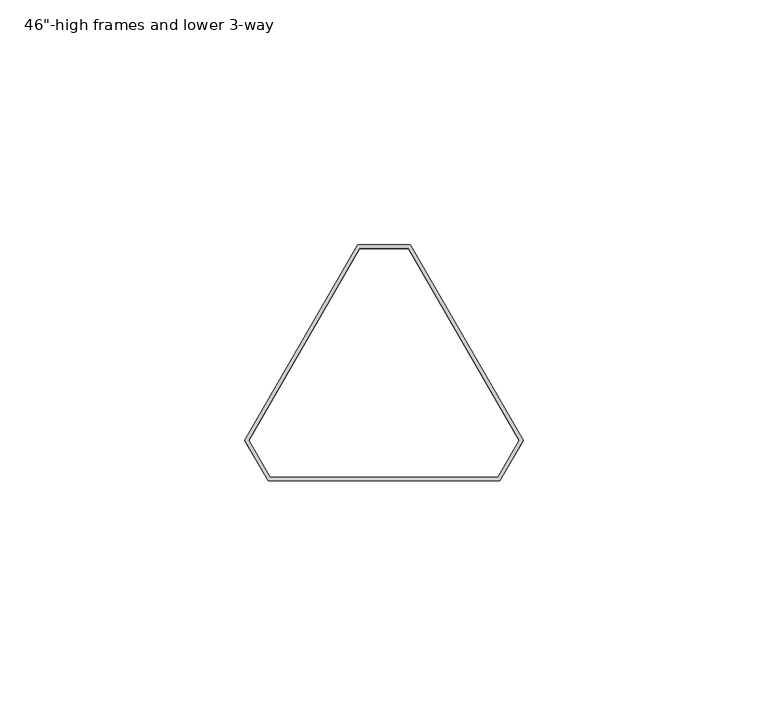
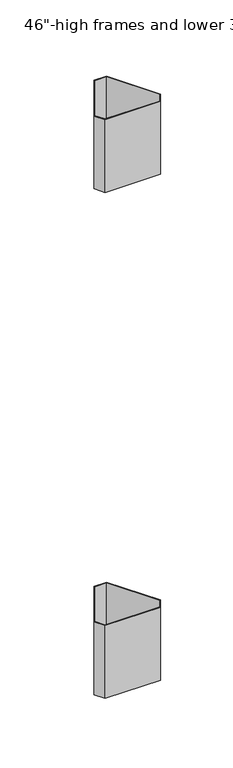
"""IFC4 building model written with IfcOpenShell, lengths in millimetres: furniture geometry."""

import ifcopenshell
import ifcopenshell.guid

model = None  # the IFC model being written
_history = None  # IfcOwnerHistory: only IFC2X3 demands one
_inside = {}  # id of a spatial element -> (the spatial element, [elements in it])
_under = {}  # id of a project, library or spatial element -> (it, [spatial elements below it])
_declared = {}  # id of a project -> (the project, [libraries it declares])
_typed = {}  # id of a type object -> (the type object, [elements of that type])
_made_of = {}  # id of a material, layer set ... -> (it, [elements and type objects made of it])


def new_model(schema):
    """Start an empty IFC model of exactly this schema.

    Asked for "IFC4X3", IfcOpenShell would pick the latest addendum, in which some entities
    have other attributes; the version numbers below select the first issue.
    IFC2X3 requires an IfcOwnerHistory on every rooted entity: one is made here for all.
    """
    global model, _history
    if schema == "IFC4X3":
        model = ifcopenshell.file(schema_version=(4, 3, 0, 0))
    else:
        model = ifcopenshell.file(schema=schema)
    _inside.clear()
    _under.clear()
    _declared.clear()
    _typed.clear()
    _made_of.clear()
    _history = None
    if model.schema == "IFC2X3":
        org = make("IfcOrganization", Name="unknown")
        user = make(
            "IfcPersonAndOrganization",
            ThePerson=make("IfcPerson", FamilyName="unknown"),
            TheOrganization=org,
        )
        app = make(
            "IfcApplication",
            ApplicationDeveloper=org,
            Version="unknown",
            ApplicationFullName="unknown",
            ApplicationIdentifier="unknown",
        )
        _history = make(
            "IfcOwnerHistory",
            OwningUser=user,
            OwningApplication=app,
            ChangeAction="ADDED",
            CreationDate=0,
        )
    return model


def make(cls, **values):
    """One entity of the class cls with the attributes given. An attribute that is None is left unset."""
    return model.create_entity(
        cls, **{name: value for name, value in values.items() if value is not None}
    )


def rooted(cls, **values):
    """An entity with a GlobalId (a new one), such as an element, a storey or a relation."""
    return make(cls, GlobalId=ifcopenshell.guid.new(), OwnerHistory=_history, **values)


def si_unit(unit_type, name, prefix=None):
    """IfcSIUnit, for example si_unit("LENGTHUNIT", "METRE", prefix="MILLI")."""
    return make("IfcSIUnit", UnitType=unit_type, Prefix=prefix, Name=name)


def assignment(units):
    """IfcUnitAssignment: the units of a project."""
    return None if units is None else make("IfcUnitAssignment", Units=units)


def point(xyz):
    """IfcCartesianPoint."""
    return None if xyz is None else make("IfcCartesianPoint", Coordinates=xyz)


def direction(xyz):
    """IfcDirection."""
    return None if xyz is None else make("IfcDirection", DirectionRatios=xyz)


def frame(location, z_axis=None, x_axis=None):
    """IfcAxis2Placement3D, a coordinate frame: its origin and axes. An axis left out is left unset."""
    return make(
        "IfcAxis2Placement3D",
        Location=point(location),
        Axis=direction(z_axis),
        RefDirection=direction(x_axis),
    )


def origin():
    """The frame at (0, 0, 0) with its axes left unset."""
    return frame((0.0, 0.0, 0.0))


def place(relative_to, where):
    """IfcLocalPlacement: puts the frame where relative to a parent placement (None: the world)."""
    return make(
        "IfcLocalPlacement", PlacementRelTo=relative_to, RelativePlacement=where
    )


def context(
    kind, dimensions, precision=None, world=None, true_north=None, identifier=None
):
    """IfcGeometricRepresentationContext, for example the 3D "Model" context."""
    return make(
        "IfcGeometricRepresentationContext",
        ContextIdentifier=identifier,
        ContextType=kind,
        CoordinateSpaceDimension=dimensions,
        Precision=precision,
        WorldCoordinateSystem=world,
        TrueNorth=true_north,
    )


def project(units=None, contexts=None):
    """IfcProject with its units and contexts."""
    return rooted(
        "IfcProject",
        Name="project",
        RepresentationContexts=contexts,
        UnitsInContext=assignment(units),
    )


def spatial(cls, under=None, at=None, **own):
    """A site, building, storey or space (cls), placed at a placement, below another one or the project."""
    s = rooted(cls, ObjectPlacement=at, **own)
    if under is not None:
        _under.setdefault(under.id(), (under, []))[1].append(s)
    return s


def polyline(points):
    """IfcPolyline through the points."""
    return make("IfcPolyline", Points=[point(p) for p in points])


def outline(outer, holes=None, kind="AREA"):
    """IfcArbitraryClosedProfileDef: a profile drawn as a closed curve; with holes, ...WithVoids."""
    if holes is None:
        return make("IfcArbitraryClosedProfileDef", ProfileType=kind, OuterCurve=outer)
    return make(
        "IfcArbitraryProfileDefWithVoids",
        ProfileType=kind,
        OuterCurve=outer,
        InnerCurves=holes,
    )


def extrude(swept, where, along, depth):
    """IfcExtrudedAreaSolid: the profile swept, set in the frame where, extruded along a direction by depth."""
    return make(
        "IfcExtrudedAreaSolid",
        SweptArea=swept,
        Position=where,
        ExtrudedDirection=direction(along),
        Depth=depth,
    )


def shape(context_of_items, identifier, shape_type, items):
    """IfcShapeRepresentation: the items that make up one representation, for example the "Body"."""
    return make(
        "IfcShapeRepresentation",
        ContextOfItems=context_of_items,
        RepresentationIdentifier=identifier,
        RepresentationType=shape_type,
        Items=items,
    )


def source(mapping_origin, context_of_items, identifier, shape_type, items):
    """IfcRepresentationMap: a shape defined once, which mapped items show again and again."""
    return make(
        "IfcRepresentationMap",
        MappingOrigin=mapping_origin,
        MappedRepresentation=shape(context_of_items, identifier, shape_type, items),
    )


def transform(
    local_origin,
    x_axis=None,
    y_axis=None,
    z_axis=None,
    scale=None,
    scale2=None,
    scale3=None,
    uniform=True,
):
    """IfcCartesianTransformationOperator3D, or its non-uniform kind. x_axis, y_axis, z_axis: its Axis1, 2, 3."""
    if uniform:
        return make(
            "IfcCartesianTransformationOperator3D",
            Axis1=direction(x_axis),
            Axis2=direction(y_axis),
            LocalOrigin=point(local_origin),
            Scale=scale,
            Axis3=direction(z_axis),
        )
    return make(
        "IfcCartesianTransformationOperator3DnonUniform",
        Axis1=direction(x_axis),
        Axis2=direction(y_axis),
        LocalOrigin=point(local_origin),
        Scale=scale,
        Axis3=direction(z_axis),
        Scale2=scale2,
        Scale3=scale3,
    )


def mapped(mapping_source, mapping_target):
    """IfcMappedItem: shows the shape of a source again, moved by a transform."""
    return make(
        "IfcMappedItem", MappingSource=mapping_source, MappingTarget=mapping_target
    )


def made_of(thing, what):
    """Note that an element or type object is made of a material, layer set ...; save() writes the relation."""
    if what is not None:
        _made_of.setdefault(what.id(), (what, []))[1].append(thing)
    return thing


def element(
    cls,
    number,
    at=None,
    inside=None,
    cuts=None,
    type_object=None,
    material=None,
    context=None,
    identifier="Body",
    shape_type=None,
    held_by="IfcProductDefinitionShape",
    body=None,
    shapes=None,
    **own,
):
    """One element of the class cls, such as IfcWall. Its Tag is "e" and its number.

    at: its placement. inside: the storey or other place that contains it. cuts: it is an
    opening in that element (IfcRelVoidsElement). A single representation is given by context,
    identifier, shape_type and body (its items); several are given by shapes. held_by: the class
    of the entity that holds the representations. save() writes the other relations.
    """
    e = rooted(cls, Tag="e%d" % number, ObjectPlacement=at, **own)
    if body is not None:
        shapes = [shape(context, identifier, shape_type, body)]
    if shapes is not None:
        e.Representation = make(held_by, Representations=shapes)
    if inside is not None:
        _inside.setdefault(inside.id(), (inside, []))[1].append(e)
    if cuts is not None:
        rooted(
            "IfcRelVoidsElement", RelatingBuildingElement=cuts, RelatedOpeningElement=e
        )
    if type_object is not None:
        _typed.setdefault(type_object.id(), (type_object, []))[1].append(e)
    return made_of(e, material)


def aggregate(whole, parts):
    """IfcRelAggregates: a whole, such as a stair, and the parts it consists of."""
    return rooted("IfcRelAggregates", RelatingObject=whole, RelatedObjects=parts)


def save(model, path):
    """Write the relations noted so far, then the file.

    IfcRelAggregates (storeys below a building ...), IfcRelContainedInSpatialStructure (elements
    in a storey), IfcRelDefinesByType, IfcRelAssociatesMaterial and IfcRelDeclares: one each for
    every whole, place, type object, material and project.
    """
    for whole, parts in _under.values():
        aggregate(whole, parts)
    for where, things in _inside.values():
        rooted(
            "IfcRelContainedInSpatialStructure",
            RelatedElements=things,
            RelatingStructure=where,
        )
    for kind, things in _typed.values():
        rooted("IfcRelDefinesByType", RelatedObjects=things, RelatingType=kind)
    for what, things in _made_of.values():
        rooted("IfcRelAssociatesMaterial", RelatedObjects=things, RelatingMaterial=what)
    for by, libraries in _declared.values():
        rooted("IfcRelDeclares", RelatingContext=by, RelatedDefinitions=libraries)
    model.write(path)


def furniture_b376a43a(model_context):
    return source(origin(), model_context, "Body", "SweptSolid", [
        extrude(outline(polyline([(-443.8954522, 88.3899645), (-420.841454, 48.4592675), (-425.5758816, 40.2589992), (-472.9491188, 40.2589992), (-477.6835492, 48.4592724), (-454.6295534, 88.3899645), (-443.8954522, 88.3899645)]), holes=[polyline([(-421.7506652, 48.4592675), (-444.3500578, 87.6025645), (-454.1749478, 87.6025645), (-476.774338, 48.4592724), (-472.4945132, 41.0463992), (-426.0304872, 41.0463992), (-421.7506652, 48.4592675)])]), frame((0.0, 0.0, 651.6687258), z_axis=(0.0, 0.0, 1.0), x_axis=(1.0, 0.0, 0.0)), (0.0, 0.0, 1.0), 66.04),
        extrude(outline(polyline([(-443.8954522, 88.3899645), (-420.841454, 48.4592675), (-425.5758816, 40.2589992), (-472.9491188, 40.2589992), (-477.6835492, 48.4592724), (-454.6295534, 88.3899645), (-443.8954522, 88.3899645)]), holes=[polyline([(-421.7506652, 48.4592675), (-444.3500578, 87.6025645), (-454.1749478, 87.6025645), (-476.774338, 48.4592724), (-472.4945132, 41.0463992), (-426.0304872, 41.0463992), (-421.7506652, 48.4592675)])]), frame((0.0, 0.0, 192.8812415), z_axis=(0.0, 0.0, 1.0), x_axis=(1.0, 0.0, 0.0)), (0.0, 0.0, 1.0), 66.04),
    ])


if __name__ == "__main__":
    model = new_model("IFC4")
    model_context = context("Model", 3, world=origin())
    ifc_project = project(units=[si_unit("LENGTHUNIT", "METRE", prefix="MILLI")], contexts=[model_context])
    site = spatial("IfcSite", under=ifc_project)
    building = spatial("IfcBuilding", under=site)
    placement = place(None, origin())
    furniture_shape = furniture_b376a43a(model_context)
    element("IfcFurniture", 1, ObjectType="46\"-high frames and lower 3-way", at=placement, inside=building, context=model_context, shape_type="MappedRepresentation", body=[
        mapped(furniture_shape, transform((0.0, 0.0, 0.0), x_axis=(1.0, 0.0, 0.0), y_axis=(0.0, 1.0, 0.0), z_axis=(0.0, 0.0, 1.0))),
    ])
    save(model, "model.ifc")
